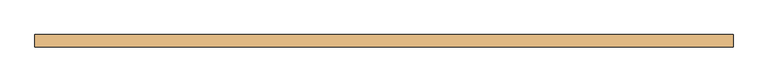
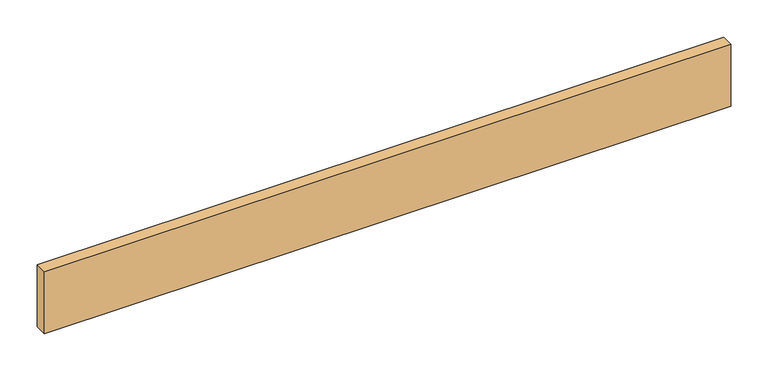
"""IFC4 building model written with IfcOpenShell, lengths in millimetres: door geometry."""

from ifc_helpers import new_model, si_unit, origin, origin_with_axes, place, context, project, spatial, polyline, outline, extrude, source, transform, mapped, element, save


def door_75895e94(model_context):
    return source(origin(), model_context, "Body", "SweptSolid", [
        extrude(outline(polyline([(531.3172, 0.0), (-531.3172, 0.0), (-531.3172, 19.05), (531.3172, 19.05), (531.3172, 0.0)])), origin_with_axes(), (0.0, 0.0, 1.0), 101.6),
    ])


if __name__ == "__main__":
    model = new_model("IFC4")
    model_context = context("Model", 3, world=origin())
    ifc_project = project(units=[si_unit("LENGTHUNIT", "METRE", prefix="MILLI")], contexts=[model_context])
    site = spatial("IfcSite", under=ifc_project)
    building = spatial("IfcBuilding", under=site)
    placement = place(None, origin())
    door_shape = door_75895e94(model_context)
    element("IfcDoor", 1, at=placement, inside=building, context=model_context, shape_type="MappedRepresentation", body=[
        mapped(door_shape, transform((0.0, 0.0, 0.0), x_axis=(1.0, 0.0, 0.0), y_axis=(0.0, 1.0, 0.0), z_axis=(0.0, 0.0, 1.0))),
    ])
    save(model, "model.ifc")
